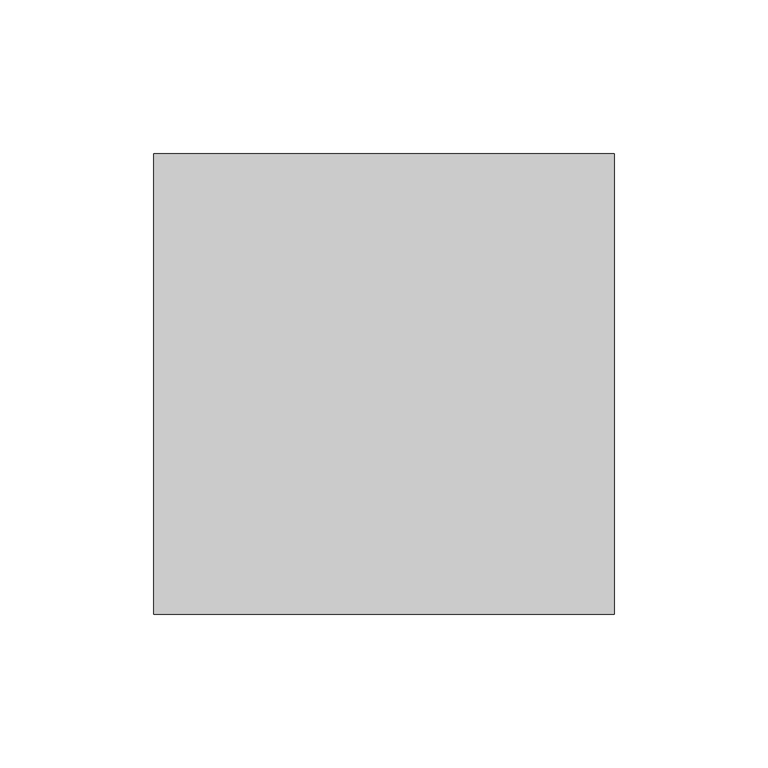
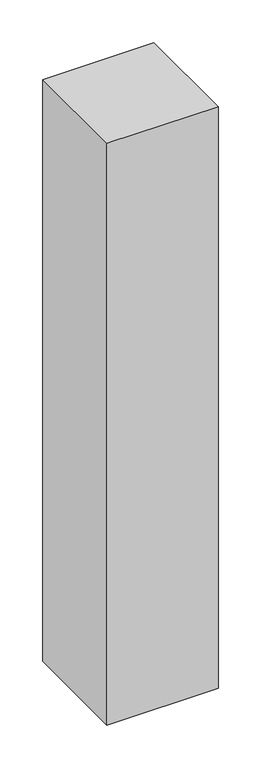
"""IFC4 building model written with IfcOpenShell, lengths in millimetres: column geometry."""

from ifc_helpers import new_model, si_unit, frame, origin, place, context, project, spatial, polyline, outline, extrude, source, transform, mapped, element, save


def column_42bc4ea7(model_context):
    return source(origin(), model_context, "Body", "SweptSolid", [
        extrude(outline(polyline([(75.0, 75.0), (75.0, -75.0), (-75.0, -75.0), (-75.0, 75.0), (75.0, 75.0)])), frame((0.0, 0.0, 2390.0), z_axis=(0.0, 0.0, 1.0), x_axis=(1.0, 0.0, 0.0)), (0.0, 0.0, 1.0), 830.0),
    ])


if __name__ == "__main__":
    model = new_model("IFC4")
    model_context = context("Model", 3, world=origin())
    ifc_project = project(units=[si_unit("LENGTHUNIT", "METRE", prefix="MILLI")], contexts=[model_context])
    site = spatial("IfcSite", under=ifc_project)
    building = spatial("IfcBuilding", under=site)
    placement = place(None, origin())
    column_shape = column_42bc4ea7(model_context)
    element("IfcColumn", 1, at=placement, inside=building, context=model_context, shape_type="MappedRepresentation", body=[
        mapped(column_shape, transform((0.0, 0.0, 0.0), x_axis=(1.0, 0.0, 0.0), y_axis=(0.0, 1.0, 0.0), z_axis=(0.0, 0.0, 1.0))),
    ])
    save(model, "model.ifc")
